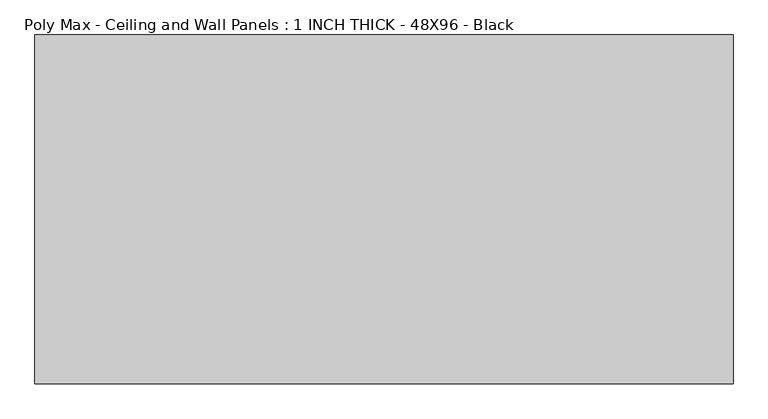
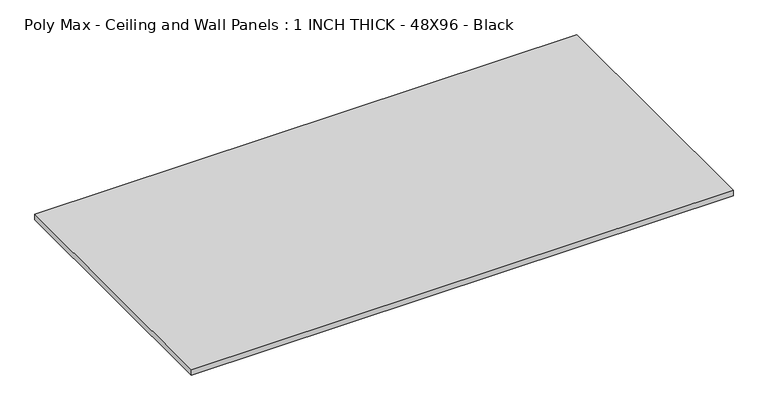
"""IFC4 building model written with IfcOpenShell, lengths in millimetres: proxy geometry, Poly Max - Ceiling and Wall Panels : 1 INCH THICK - 48X96 - Black."""

from ifc_helpers import new_model, si_unit, origin, origin_with_axes, place, context, project, spatial, polyline, outline, extrude, source, transform, mapped, element, save


def poly_max_ceiling_and_wall_panels_1_inch_thick_48x96_black_11abb7a7(model_context):
    return source(origin(), model_context, "Body", "SweptSolid", [
        extrude(outline(polyline([(-1219.2, 609.6), (1219.2, 609.6), (1219.2, -609.6), (-1219.2, -609.6), (-1219.2, 609.6)])), origin_with_axes(), (0.0, 0.0, 1.0), 25.4),
    ])


if __name__ == "__main__":
    model = new_model("IFC4")
    model_context = context("Model", 3, world=origin())
    ifc_project = project(units=[si_unit("LENGTHUNIT", "METRE", prefix="MILLI")], contexts=[model_context])
    site = spatial("IfcSite", under=ifc_project)
    building = spatial("IfcBuilding", under=site)
    placement = place(None, origin())
    poly_max_ceiling_and_wall_panels_1_inch_thick_48x96_black_shape = poly_max_ceiling_and_wall_panels_1_inch_thick_48x96_black_11abb7a7(model_context)
    element("IfcBuildingElementProxy", 1, Name="Poly Max - Ceiling and Wall Panels : 1 INCH THICK - 48X96 - Black", ObjectType="Poly Max - Ceiling and Wall Panels : 1 INCH THICK - 48X96 - Black", at=placement, inside=building, context=model_context, shape_type="MappedRepresentation", body=[
        mapped(poly_max_ceiling_and_wall_panels_1_inch_thick_48x96_black_shape, transform((0.0, 0.0, 0.0), x_axis=(1.0, 0.0, 0.0), y_axis=(0.0, 1.0, 0.0), z_axis=(0.0, 0.0, 1.0))),
    ])
    save(model, "model.ifc")
